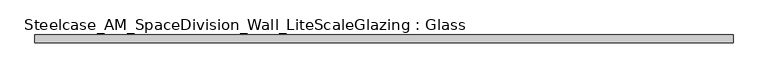
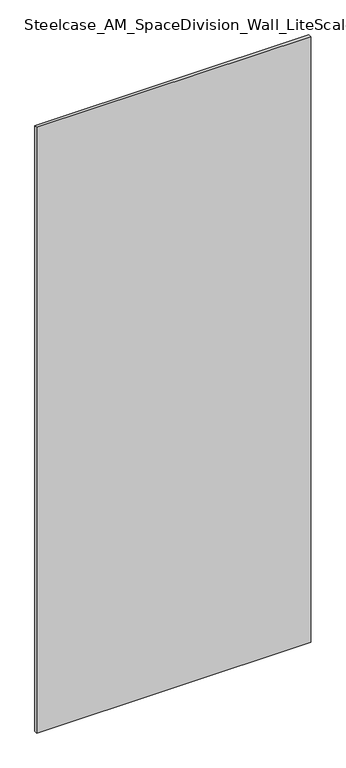
"""IFC4 building model written with IfcOpenShell, lengths in millimetres: plate geometry, Steelcase_AM_SpaceDivision_Wall_LiteScaleGlazing : Glass."""

from ifc_helpers import new_model, si_unit, origin, origin_with_axes, place, context, project, spatial, polyline, outline, extrude, source, transform, mapped, element, save


def steelcase_am_spacedivision_wall_litescaleglazing_glass_19af5e54(model_context):
    return source(origin(), model_context, "Body", "SweptSolid", [
        extrude(outline(polyline([(-570.1876191, -6.349956), (-570.1876191, 6.3502015), (570.1876191, 6.3502015), (570.1876191, -6.349956), (-570.1876191, -6.349956)])), origin_with_axes(), (0.0, 0.0, 1.0), 2665.984),
    ])


if __name__ == "__main__":
    model = new_model("IFC4")
    model_context = context("Model", 3, world=origin())
    ifc_project = project(units=[si_unit("LENGTHUNIT", "METRE", prefix="MILLI")], contexts=[model_context])
    site = spatial("IfcSite", under=ifc_project)
    building = spatial("IfcBuilding", under=site)
    placement = place(None, origin())
    steelcase_am_spacedivision_wall_litescaleglazing_glass_shape = steelcase_am_spacedivision_wall_litescaleglazing_glass_19af5e54(model_context)
    element("IfcPlate", 1, ObjectType="Steelcase_AM_SpaceDivision_Wall_LiteScaleGlazing : Glass", at=placement, inside=building, context=model_context, shape_type="MappedRepresentation", body=[
        mapped(steelcase_am_spacedivision_wall_litescaleglazing_glass_shape, transform((0.0, 0.0, 0.0), x_axis=(1.0, 0.0, 0.0), y_axis=(0.0, 1.0, 0.0), z_axis=(0.0, 0.0, 1.0))),
    ])
    save(model, "model.ifc")
